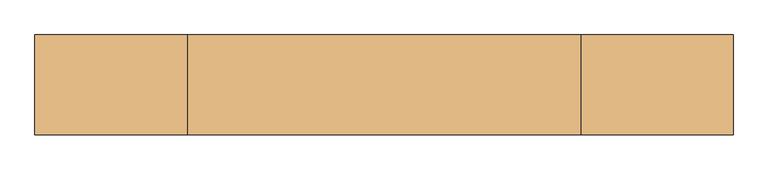
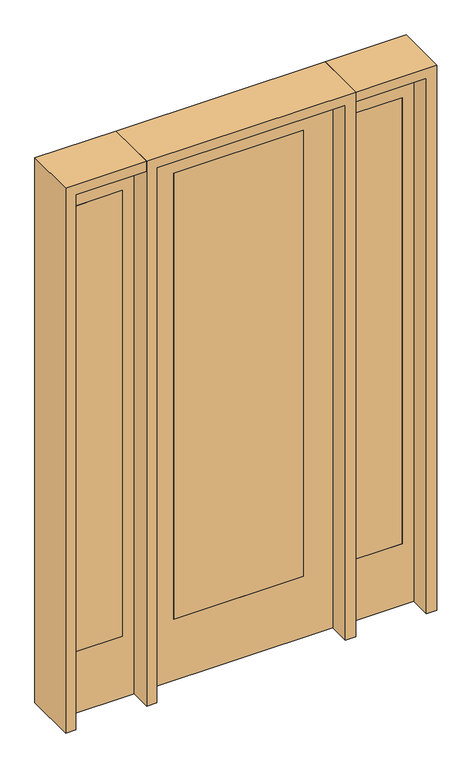
"""IFC4 building model written with IfcOpenShell, lengths in millimetres: door geometry."""

from ifc_helpers import new_model, si_unit, frame, origin, place, context, project, spatial, polyline, outline, extrude, source, transform, mapped, element, save


def door_f3de813f(model_context):
    return source(origin(), model_context, "Body", "SweptSolid", [
        extrude(outline(polyline([(501.65, -20.6375), (501.65, 20.6375), (704.85, 20.6375), (704.85, -20.6375), (501.65, -20.6375)])), frame((0.0, 0.0, 279.4), z_axis=(0.0, 0.0, 1.0), x_axis=(1.0, 0.0, 0.0)), (0.0, 0.0, 1.0), 2032.0),
        extrude(outline(polyline([(0.0, 755.65), (2438.4, 755.65), (2438.4, 450.85), (0.0, 450.85), (0.0, 755.65)]), holes=[polyline([(2311.4, 501.65), (2311.4, 704.85), (279.4, 704.85), (279.4, 501.65), (2311.4, 501.65)])]), frame((0.0, -20.6375, 0.0), z_axis=(0.0, 1.0, 0.0), x_axis=(0.0, 0.0, 1.0)), (0.0, 0.0, 1.0), 41.275),
        extrude(outline(polyline([(-501.65, -20.6375), (-704.85, -20.6375), (-704.85, 20.6375), (-501.65, 20.6375), (-501.65, -20.6375)])), frame((0.0, 0.0, 279.4), z_axis=(0.0, 0.0, 1.0), x_axis=(1.0, 0.0, 0.0)), (0.0, 0.0, 1.0), 2032.0),
        extrude(outline(polyline([(0.0, -755.65), (0.0, -450.85), (2438.4, -450.85), (2438.4, -755.65), (0.0, -755.65)]), holes=[polyline([(2311.4, -501.65), (279.4, -501.65), (279.4, -704.85), (2311.4, -704.85), (2311.4, -501.65)])]), frame((0.0, -20.6375, 0.0), z_axis=(0.0, 1.0, 0.0), x_axis=(0.0, 0.0, 1.0)), (0.0, 0.0, 1.0), 41.275),
        extrude(outline(polyline([(2438.4, 406.4), (2438.4, -406.4), (0.0, -406.4), (0.0, 406.4), (2438.4, 406.4)]), holes=[polyline([(279.4, 279.4), (279.4, -279.4), (2311.4, -279.4), (2311.4, 279.4), (279.4, 279.4)])]), frame((0.0, -20.6375, 0.0), z_axis=(0.0, 1.0, 0.0), x_axis=(0.0, 0.0, 1.0)), (0.0, 0.0, 1.0), 41.275),
        extrude(outline(polyline([(279.4, -20.6375), (-279.4, -20.6375), (-279.4, 20.6375), (279.4, 20.6375), (279.4, -20.6375)])), frame((0.0, 0.0, 279.4), z_axis=(0.0, 0.0, 1.0), x_axis=(1.0, 0.0, 0.0)), (0.0, 0.0, 1.0), 2032.0),
        extrude(outline(polyline([(2438.4, -450.85), (2482.85, -450.85), (2482.85, -800.1), (0.0, -800.1), (0.0, -755.65), (2438.4, -755.65), (2438.4, -450.85)])), frame((0.0, -114.3, 0.0), z_axis=(0.0, 1.0, 0.0), x_axis=(0.0, 0.0, 1.0)), (0.0, 0.0, 1.0), 228.6),
        extrude(outline(polyline([(2482.85, -450.85), (0.0, -450.85), (0.0, -406.4), (2438.4, -406.4), (2438.4, 406.4), (0.0, 406.4), (0.0, 450.85), (2482.85, 450.85), (2482.85, -450.85)])), frame((0.0, -114.3, 0.0), z_axis=(0.0, 1.0, 0.0), x_axis=(0.0, 0.0, 1.0)), (0.0, 0.0, 1.0), 228.6),
        extrude(outline(polyline([(0.0, 755.65), (0.0, 800.1), (2482.85, 800.1), (2482.85, 450.85), (2438.4, 450.85), (2438.4, 755.65), (0.0, 755.65)])), frame((0.0, -114.3, 0.0), z_axis=(0.0, 1.0, 0.0), x_axis=(0.0, 0.0, 1.0)), (0.0, 0.0, 1.0), 228.6),
    ])


if __name__ == "__main__":
    model = new_model("IFC4")
    model_context = context("Model", 3, world=origin())
    ifc_project = project(units=[si_unit("LENGTHUNIT", "METRE", prefix="MILLI")], contexts=[model_context])
    site = spatial("IfcSite", under=ifc_project)
    building = spatial("IfcBuilding", under=site)
    placement = place(None, origin())
    door_shape = door_f3de813f(model_context)
    element("IfcDoor", 1, at=placement, inside=building, context=model_context, shape_type="MappedRepresentation", body=[
        mapped(door_shape, transform((0.0, 0.0, 0.0), x_axis=(1.0, 0.0, 0.0), y_axis=(0.0, 1.0, 0.0), z_axis=(0.0, 0.0, 1.0))),
    ])
    save(model, "model.ifc")
